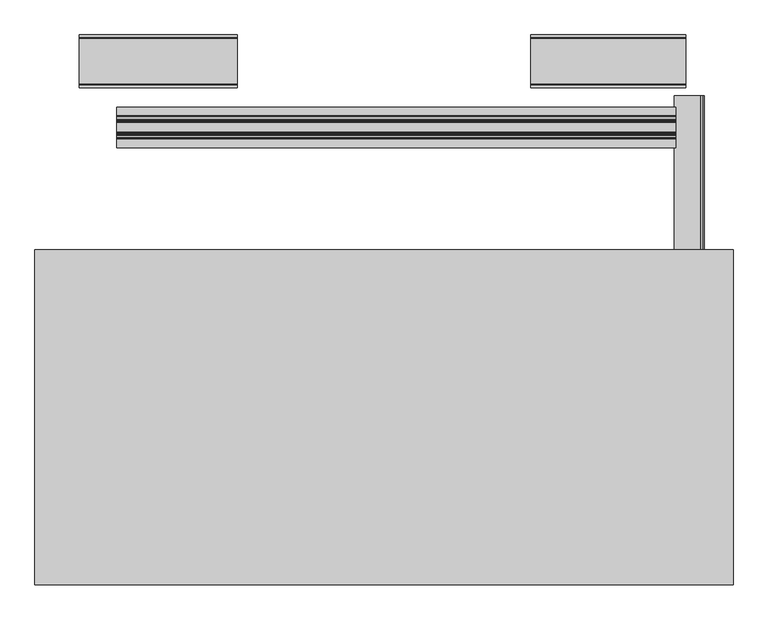
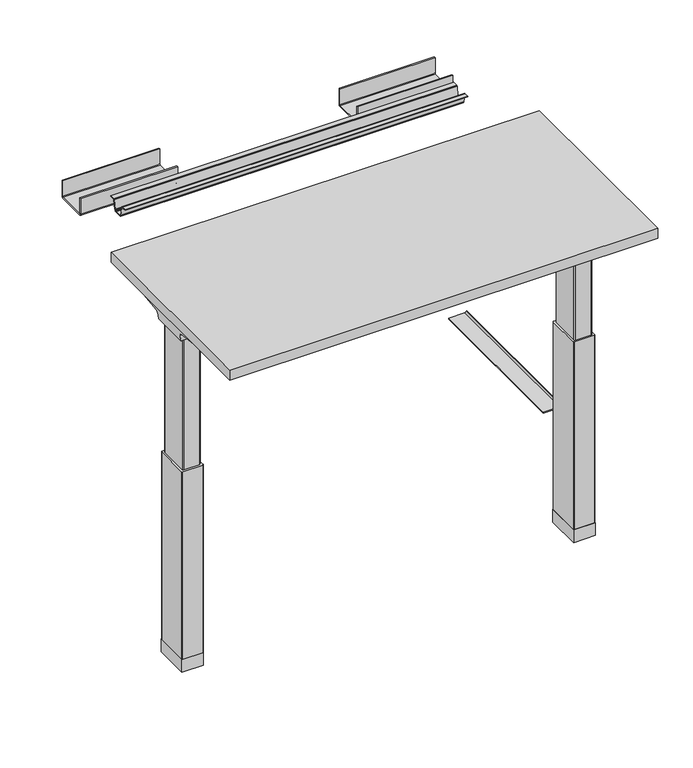
"""IFC4 building model written with IfcOpenShell, lengths in millimetres: furniture geometry."""

from ifc_helpers import new_model, si_unit, point, frame, frame_2d, origin, place, context, project, spatial, polyline, circle_curve, ellipse_curve, trimmed, segment, composite_curve, outline, extrude, source, transform, mapped, element, save
from ifc_brep_helpers import plane_surface, cylinder_surface, revolved_surface, advanced_brep


def furniture_e1e80ac1(model_context):
    return source(origin(), model_context, "Body", "SolidModel", [
        extrude(outline(composite_curve([segment(trimmed(circle_curve(frame_2d((335.5834916, 387.7019564)), 3.1749345), [point((335.5835451, 390.8768908))], [point((332.4090868, 387.643965))], True, "CARTESIAN"), True, "CONTINUOUS"), segment(polyline([(332.4090868, 387.643965), (332.4090868, 342.6824058), (329.7517063, 342.6824058), (329.7517063, 387.7017915)]), True, "CONTINUOUS"), segment(trimmed(circle_curve(frame_2d((335.5835451, 387.7017915)), 5.8318388), [point((329.7517063, 387.7017915))], [point((335.5835451, 393.5336303))], False, "CARTESIAN"), True, "CONTINUOUS"), segment(polyline([(335.5835451, 393.5336303), (335.5835451, 390.8768908)]), True, "CONTINUOUS")], self_intersect=False)), frame((0.0, 170.9160479, 0.0), z_axis=(0.0, 1.0, 0.0), x_axis=(0.0, 0.0, 1.0)), (0.0, 0.0, 1.0), 456.2850092),
        extrude(outline(polyline([(442.976, 364.3376128), (442.976, -206.4003872), (-747.776, -206.4003872), (-747.776, 364.3376128), (442.976, 364.3376128)])), frame((0.0, 0.0, 1037.209), z_axis=(0.0, 0.0, 1.0), x_axis=(1.0, 0.0, 0.0)), (0.0, 0.0, 1.0), 29.591),
        advanced_brep(
        [(-731.4406297, 162.7292702, 988.7915733), (-672.2713552, 162.7292702, 988.7915733), (-672.2713552, 160.5008169, 986.1442785), (-728.9518591, 160.5008169, 986.1442785), (-731.6625278, 162.738256, 989.0276054), (-734.0619089, 163.3822827, 1005.9443054), (-672.2713552, 163.3822827, 1005.9443054), (-734.9185362, 168.8493181, 1011.9839076), (-672.2713552, 168.8493181, 1011.9839076), (-737.4393767, 283.4205225, 1029.7569507), (-672.2713552, 283.4205225, 1029.7569507), (-737.5128152, 287.1965275, 1030.2747243), (-672.2713552, 287.1965275, 1030.2747243), (-738.1871296, 288.7067839, 1035.0289399), (-736.4021288, 286.1298888, 1037.209), (-672.2713552, 286.1298888, 1037.209), (-737.5128152, -68.7565275, 1030.2747243), (-672.2713552, -68.7565275, 1030.2747243), (-672.2713552, -67.6898888, 1037.209), (-736.4021288, -67.6898888, 1037.209), (-738.1871296, -70.2667839, 1035.0289399), (-737.4393767, -64.9805225, 1029.7569507), (-672.2713552, -64.9805225, 1029.7569507), (-734.9185362, 49.5906819, 1011.9839076), (-672.2713552, 49.5906819, 1011.9839076), (-734.0619089, 55.0577173, 1005.9443054), (-672.2713552, 55.0577173, 1005.9443054), (-731.6625278, 55.701744, 989.0276054), (-731.4406297, 55.7107298, 988.7915733), (-672.2713552, 55.7107298, 988.7915733), (-728.9518591, 57.9391831, 986.1442785), (-672.2713552, 57.9391831, 986.1442785)],
        [
            (0, 1),
            (1, 2),
            (2, 3),
            (3, 0),
            (0, 4),
            (4, 5),
            (5, 6),
            (6, 1),
            (5, 7, ellipse_curve(frame((-734.0119691, 169.8408409, 1005.5922075), z_axis=(-0.9900906714849615, 0.0, -0.1404295632637872), x_axis=(-0.1404295632637865, 0.0, 0.9900906714849615)), 6.5328852, 6.4681487)),
            (7, 8),
            (8, 6, circle_curve(frame((-672.2713552, 169.8408409, 1005.5922075), z_axis=(1.0, 0.0, 0.0), x_axis=(0.0, 1.0, 0.0)), 6.4681487)),
            (7, 9),
            (9, 10),
            (10, 8),
            (9, 11),
            (11, 12),
            (12, 10),
            (11, 13, ellipse_curve(frame((-737.9730772, 285.2194111, 1033.5197755), z_axis=(0.9900906714849615, 0.0, 0.1404295632637872), x_axis=(0.1404295632637865, 0.0, -0.9900906714849615)), 3.8379455, 3.7999141)),
            (13, 14, ellipse_curve(frame((-739.422811, 285.2194111, 1033.5197755), z_axis=(0.7737284588431889, 0.0, -0.6335173809582053), x_axis=(0.6335173809582053, 0.0, 0.7737284588431887)), 4.9111727, 3.7999141)),
            (14, 15),
            (15, 12, circle_curve(frame((-672.2713552, 285.2194111, 1033.5197755), z_axis=(-1.0, 0.0, 0.0), x_axis=(0.0, 1.0, 0.0)), 3.7999141)),
            (16, 17),
            (17, 18, circle_curve(frame((-672.2713552, -66.7794111, 1033.5197755), z_axis=(-1.0, 0.0, 0.0), x_axis=(0.0, 1.0, 0.0)), 3.7999141)),
            (18, 19),
            (19, 20, ellipse_curve(frame((-739.422811, -66.7794111, 1033.5197755), z_axis=(0.7737284588431889, 0.0, -0.6335173809582053), x_axis=(0.6335173809582053, 0.0, 0.7737284588431887)), 4.9111727, 3.7999141)),
            (20, 16, ellipse_curve(frame((-737.9730772, -66.7794111, 1033.5197755), z_axis=(0.9900906714849615, 0.0, 0.1404295632637872), x_axis=(0.1404295632637865, 0.0, -0.9900906714849615)), 3.8379455, 3.7999141)),
            (16, 21),
            (21, 22),
            (22, 17),
            (21, 23),
            (23, 24),
            (24, 22),
            (23, 25, ellipse_curve(frame((-734.0119691, 48.5991591, 1005.5922075), z_axis=(-0.9900906714849615, 0.0, -0.1404295632637872), x_axis=(-0.1404295632637865, 0.0, 0.9900906714849615)), 6.5328852, 6.4681487)),
            (25, 26),
            (26, 24, circle_curve(frame((-672.2713552, 48.5991591, 1005.5922075), z_axis=(1.0, 0.0, 0.0), x_axis=(0.0, 1.0, 0.0)), 6.4681487)),
            (25, 27),
            (27, 28),
            (28, 29),
            (29, 26),
            (28, 30),
            (30, 31),
            (31, 29),
            (4, 27),
            (20, 13),
            (19, 14),
            (18, 15),
            (2, 31),
            (30, 3),
        ],
        [
            plane_surface(frame((-754.4773962, 160.5008169, 986.1442785), z_axis=(0.0, 0.7650318638532662, -0.6439924279750482), x_axis=(1.0, 0.0, 0.0))),
            plane_surface(frame((-754.4773962, 162.7292702, 988.7915733), z_axis=(0.0, 0.999276106683639, -0.03804290487316255), x_axis=(1.0, 0.0, 0.0))),
            revolved_surface(polyline([(-734.9293793154884, 176.3089896, 1005.5922075), (-672.2713552, 176.3089896, 1005.5922075)]), (-754.4773962, 169.8408409, 1005.5922075), (-1.0, 0.0, 0.0)),
            plane_surface(frame((-754.4773962, 168.8493181, 1011.9839076), z_axis=(0.0, 0.153293135871396, -0.9881807600306302), x_axis=(1.0, 0.0, 0.0))),
            plane_surface(frame((-754.4773962, 283.4205225, 1029.7569507), z_axis=(0.0, 0.13585085469026903, -0.9907292996979162), x_axis=(1.0, 0.0, 0.0))),
            cylinder_surface(frame((-754.4773962, 285.2194111, 1033.5197755), z_axis=(1.0, 0.0, 0.0), x_axis=(0.0, 1.0, 0.0)), 3.7999141),
            cylinder_surface(frame((-754.4773962, -66.7794111, 1033.5197755), z_axis=(1.0, 0.0, 0.0), x_axis=(0.0, 1.0, 0.0)), 3.7999141),
            plane_surface(frame((-754.4773962, -68.7565275, 1030.2747243), z_axis=(0.0, -0.13585085468791205, -0.9907292996982394), x_axis=(1.0, 0.0, 0.0))),
            plane_surface(frame((-754.4773962, -64.9805225, 1029.7569507), z_axis=(0.0, -0.1532931358714066, -0.9881807600306285), x_axis=(1.0, 0.0, 0.0))),
            revolved_surface(polyline([(-734.9293793154884, 55.0673078, 1005.5922075), (-672.2713552, 55.0673078, 1005.5922075)]), (-754.4773962, 48.5991591, 1005.5922075), (-1.0, 0.0, 0.0)),
            plane_surface(frame((-754.4773962, 55.0577173, 1005.9443054), z_axis=(0.0, -0.9992761066836363, -0.03804290487323539), x_axis=(1.0, 0.0, 0.0))),
            plane_surface(frame((-754.4773962, 55.7107298, 988.7915733), z_axis=(0.0, -0.7650318638534733, -0.643992427974802), x_axis=(1.0, 0.0, 0.0))),
            plane_surface(frame((-731.6625278, 299.72, 989.0276054), z_axis=(-0.9900906714849615, 0.0, -0.1404295632637872), x_axis=(0.0, -1.0, 0.0))),
            plane_surface(frame((-738.1871296, 299.72, 1035.0289399), z_axis=(-0.7737284588431889, 0.0, 0.6335173809582053), x_axis=(0.0, -1.0, 0.0))),
            plane_surface(frame((-736.4021288, 299.72, 1037.209), z_axis=(0.0, 0.0, 1.0), x_axis=(0.0, -1.0, 0.0))),
            plane_surface(frame((-672.2713552, 299.72, 986.1442785), z_axis=(0.0, 0.0, -1.0), x_axis=(0.0, -1.0, 0.0))),
            plane_surface(frame((-728.9518591, 299.72, 986.1442785), z_axis=(-0.7285846064197553, 0.0, -0.6849558170336029), x_axis=(0.0, -1.0, 0.0))),
            plane_surface(frame((-672.2713552, 299.72, 1037.209), z_axis=(1.0, 0.0, 0.0), x_axis=(0.0, -1.0, 0.0))),
        ],
        [
            (0, [[1, 2, 3, 4]]),
            (1, [[-1, 5, 6, 7, 8]]),
            (2, [[-7, 9, 10, 11]]),
            (3, [[-10, 12, 13, 14]]),
            (4, [[-13, 15, 16, 17]]),
            (5, [[-16, 18, 19, 20, 21]]),
            (6, [[22, 23, 24, 25, 26]]),
            (7, [[-22, 27, 28, 29]]),
            (8, [[-28, 30, 31, 32]]),
            (9, [[-31, 33, 34, 35]]),
            (10, [[-34, 36, 37, 38, 39]]),
            (11, [[-38, 40, 41, 42]]),
            (12, [[43, -36, -33, -30, -27, -26, 44, -18, -15, -12, -9, -6]]),
            (13, [[-44, -25, 45, -19]]),
            (14, [[-45, -24, 46, -20]]),
            (15, [[47, -41, 48, -3]]),
            (16, [[-43, -5, -4, -48, -40, -37]]),
            (17, [[-47, -2, -8, -11, -14, -17, -21, -46, -23, -29, -32, -35, -39, -42]]),
        ],
    ),
        advanced_brep(
        [(367.4624028, 162.7292702, 988.7915733), (426.6406297, 162.7292702, 988.7915733), (424.1518591, 160.5008169, 986.1442785), (367.4624028, 160.5008169, 986.1442785), (367.4624028, 163.3822827, 1005.9443054), (429.2619089, 163.3822827, 1005.9443054), (426.8625278, 162.738256, 989.0276054), (367.4624028, 168.8493181, 1011.9839076), (430.1185362, 168.8493181, 1011.9839076), (367.4624028, 283.4205225, 1029.7569507), (432.6393767, 283.4205225, 1029.7569507), (367.4624028, 287.1965275, 1030.2747243), (432.7128152, 287.1965275, 1030.2747243), (367.4624028, 286.1298888, 1037.209), (431.6021288, 286.1298888, 1037.209), (433.3871296, 288.7067839, 1035.0289399), (367.4624028, -68.7565275, 1030.2747243), (432.7128152, -68.7565275, 1030.2747243), (433.3871296, -70.2667839, 1035.0289399), (431.6021288, -67.6898888, 1037.209), (367.4624028, -67.6898888, 1037.209), (367.4624028, -64.9805225, 1029.7569507), (432.6393767, -64.9805225, 1029.7569507), (367.4624028, 49.5906819, 1011.9839076), (430.1185362, 49.5906819, 1011.9839076), (367.4624028, 55.0577173, 1005.9443054), (429.2619089, 55.0577173, 1005.9443054), (367.4624028, 55.7107298, 988.7915733), (426.6406297, 55.7107298, 988.7915733), (426.8625278, 55.701744, 989.0276054), (367.4624028, 57.9391831, 986.1442785), (424.1518591, 57.9391831, 986.1442785)],
        [
            (0, 1),
            (1, 2),
            (2, 3),
            (3, 0),
            (0, 4),
            (4, 5),
            (5, 6),
            (6, 1),
            (4, 7, circle_curve(frame((367.4624028, 169.8408409, 1005.5922075), z_axis=(-1.0, 0.0, 0.0), x_axis=(0.0, 1.0, 0.0)), 6.4681487)),
            (7, 8),
            (8, 5, ellipse_curve(frame((429.2119691, 169.8408409, 1005.5922075), z_axis=(0.9900906714849659, 0.0, -0.1404295632637567), x_axis=(-0.1404295632637562, 0.0, -0.9900906714849659)), 6.5328852, 6.4681487)),
            (7, 9),
            (9, 10),
            (10, 8),
            (9, 11),
            (11, 12),
            (12, 10),
            (11, 13, circle_curve(frame((367.4624028, 285.2194111, 1033.5197755), z_axis=(1.0, 0.0, 0.0), x_axis=(0.0, 1.0, 0.0)), 3.7999141)),
            (13, 14),
            (14, 15, ellipse_curve(frame((434.622811, 285.2194111, 1033.5197755), z_axis=(-0.7737284588399557, 0.0, -0.633517380962154), x_axis=(0.6335173809621538, 0.0, -0.7737284588399556)), 4.9111727, 3.7999141)),
            (15, 12, ellipse_curve(frame((433.1730772, 285.2194111, 1033.5197755), z_axis=(-0.9900906714849659, 0.0, 0.1404295632637567), x_axis=(0.1404295632637562, 0.0, 0.9900906714849659)), 3.8379455, 3.7999141)),
            (16, 17),
            (17, 18, ellipse_curve(frame((433.1730772, -66.7794111, 1033.5197755), z_axis=(-0.9900906714849659, 0.0, 0.1404295632637567), x_axis=(0.1404295632637562, 0.0, 0.9900906714849659)), 3.8379455, 3.7999141)),
            (18, 19, ellipse_curve(frame((434.622811, -66.7794111, 1033.5197755), z_axis=(-0.7737284588399557, 0.0, -0.633517380962154), x_axis=(0.6335173809621538, 0.0, -0.7737284588399556)), 4.9111727, 3.7999141)),
            (19, 20),
            (20, 16, circle_curve(frame((367.4624028, -66.7794111, 1033.5197755), z_axis=(1.0, 0.0, 0.0), x_axis=(0.0, 1.0, 0.0)), 3.7999141)),
            (16, 21),
            (21, 22),
            (22, 17),
            (21, 23),
            (23, 24),
            (24, 22),
            (23, 25, circle_curve(frame((367.4624028, 48.5991591, 1005.5922075), z_axis=(-1.0, 0.0, 0.0), x_axis=(0.0, 1.0, 0.0)), 6.4681487)),
            (25, 26),
            (26, 24, ellipse_curve(frame((429.2119691, 48.5991591, 1005.5922075), z_axis=(0.9900906714849659, 0.0, -0.1404295632637567), x_axis=(-0.1404295632637562, 0.0, -0.9900906714849659)), 6.5328852, 6.4681487)),
            (25, 27),
            (27, 28),
            (28, 29),
            (29, 26),
            (27, 30),
            (30, 31),
            (31, 28),
            (29, 6),
            (15, 18),
            (14, 19),
            (13, 20),
            (30, 3),
            (2, 31),
        ],
        [
            plane_surface(frame((246.6619573, 160.5008169, 986.1442785), z_axis=(0.0, 0.7650318638532565, -0.6439924279750596), x_axis=(1.0, 0.0, 0.0))),
            plane_surface(frame((246.6619573, 162.7292702, 988.7915733), z_axis=(0.0, 0.9992761066836392, -0.03804290487315862), x_axis=(1.0, 0.0, 0.0))),
            revolved_surface(polyline([(367.4624028, 176.3089896, 1005.5922075), (430.1293793154882, 176.3089896, 1005.5922075)]), (246.6619573, 169.8408409, 1005.5922075), (-1.0, 0.0, 0.0)),
            plane_surface(frame((246.6619573, 168.8493181, 1011.9839076), z_axis=(0.0, 0.15329313587140309, -0.988180760030629), x_axis=(1.0, 0.0, 0.0))),
            plane_surface(frame((246.6619573, 283.4205225, 1029.7569507), z_axis=(0.0, 0.1358508546900816, -0.9907292996979419), x_axis=(1.0, 0.0, 0.0))),
            cylinder_surface(frame((246.6619573, 285.2194111, 1033.5197755), z_axis=(1.0, 0.0, 0.0), x_axis=(0.0, 1.0, 0.0)), 3.7999141),
            cylinder_surface(frame((246.6619573, -66.7794111, 1033.5197755), z_axis=(1.0, 0.0, 0.0), x_axis=(0.0, 1.0, 0.0)), 3.7999141),
            plane_surface(frame((246.6619573, -68.7565275, 1030.2747243), z_axis=(0.0, -0.1358508546877776, -0.9907292996982578), x_axis=(1.0, 0.0, 0.0))),
            plane_surface(frame((246.6619573, -64.9805225, 1029.7569507), z_axis=(0.0, -0.15329313587141113, -0.9881807600306277), x_axis=(1.0, 0.0, 0.0))),
            revolved_surface(polyline([(367.4624028, 55.0673078, 1005.5922075), (430.1293793154882, 55.0673078, 1005.5922075)]), (246.6619573, 48.5991591, 1005.5922075), (-1.0, 0.0, 0.0)),
            plane_surface(frame((246.6619573, 55.0577173, 1005.9443054), z_axis=(0.0, -0.9992761066836363, -0.03804290487323539), x_axis=(1.0, 0.0, 0.0))),
            plane_surface(frame((246.6619573, 55.7107298, 988.7915733), z_axis=(0.0, -0.7650318638534733, -0.643992427974802), x_axis=(1.0, 0.0, 0.0))),
            plane_surface(frame((426.8625278, -81.28, 989.0276054), z_axis=(0.9900906714849659, 0.0, -0.1404295632637567), x_axis=(0.0, 1.0, 0.0))),
            plane_surface(frame((433.3871296, -81.28, 1035.0289399), z_axis=(0.7737284588399557, 0.0, 0.633517380962154), x_axis=(0.0, 1.0, 0.0))),
            plane_surface(frame((431.6021288, -81.28, 1037.209), z_axis=(0.0, 0.0, 1.0), x_axis=(0.0, 1.0, 0.0))),
            plane_surface(frame((367.4624028, -81.28, 986.1442785), z_axis=(0.0, 0.0, -1.0), x_axis=(0.0, 1.0, 0.0))),
            plane_surface(frame((424.1518591, -81.28, 986.1442785), z_axis=(0.7285846064222696, 0.0, -0.6849558170309284), x_axis=(0.0, 1.0, 0.0))),
            plane_surface(frame((367.4624028, -81.28, 1037.209), z_axis=(-1.0, 0.0, 0.0), x_axis=(0.0, 1.0, 0.0))),
        ],
        [
            (0, [[1, 2, 3, 4]]),
            (1, [[-1, 5, 6, 7, 8]]),
            (2, [[-6, 9, 10, 11]]),
            (3, [[-10, 12, 13, 14]]),
            (4, [[-13, 15, 16, 17]]),
            (5, [[-16, 18, 19, 20, 21]]),
            (6, [[22, 23, 24, 25, 26]]),
            (7, [[-22, 27, 28, 29]]),
            (8, [[-28, 30, 31, 32]]),
            (9, [[-31, 33, 34, 35]]),
            (10, [[-34, 36, 37, 38, 39]]),
            (11, [[-37, 40, 41, 42]]),
            (12, [[43, -7, -11, -14, -17, -21, 44, -23, -29, -32, -35, -39]]),
            (13, [[-44, -20, 45, -24]]),
            (14, [[-45, -19, 46, -25]]),
            (15, [[47, -3, 48, -41]]),
            (16, [[-43, -38, -42, -48, -2, -8]]),
            (17, [[-47, -40, -36, -33, -30, -27, -26, -46, -18, -15, -12, -9, -5, -4]]),
        ],
    ),
        advanced_brep(
        [(370.2283088, 153.9682497, 986.1442785), (367.4624028, 151.6150111, 986.1442785), (367.4624028, 66.8413858, 986.1442785), (370.5159671, 64.491987, 986.1442785), (413.8299922, 64.4717503, 986.1442785), (416.8895972, 66.8414936, 986.1442785), (416.8895972, 151.6150956, 986.1442785), (414.1236912, 153.9682497, 986.1442785), (370.2283088, 153.9682497, 599.0990058), (414.1236912, 153.9682497, 599.0990058), (416.8895972, 151.6150956, 599.0990058), (416.8895972, 66.8414936, 599.0990058), (413.8360098, 64.4919923, 599.0990058), (370.5220078, 64.4717503, 599.0990058), (367.4624028, 66.8413858, 599.0990058), (367.4624028, 151.6150111, 599.0990058)],
        [
            (0, 1, circle_curve(frame((370.5300788, 150.8114719, 986.1442785), z_axis=(0.0, 0.0, 1.0), x_axis=(1.0, 0.0, 0.0)), 3.1711688)),
            (1, 2),
            (2, 3, circle_curve(frame((370.5159671, 67.651078, 986.1442785), z_axis=(0.0, 0.0, 1.0), x_axis=(1.0, 0.0, 0.0)), 3.1590911)),
            (3, 4),
            (4, 5, circle_curve(frame((413.8360098, 67.651078, 986.1442785), z_axis=(0.0, 0.0, 1.0), x_axis=(1.0, 0.0, 0.0)), 3.1590858)),
            (5, 6),
            (6, 7, circle_curve(frame((413.8219439, 150.8114698, 986.1442785), z_axis=(0.0, 0.0, 1.0), x_axis=(1.0, 0.0, 0.0)), 3.1711687)),
            (7, 0),
            (8, 9),
            (9, 10, circle_curve(frame((413.8219439, 150.8114698, 599.0990058), z_axis=(0.0, 0.0, -1.0), x_axis=(1.0, 0.0, 0.0)), 3.1711687)),
            (10, 11),
            (11, 12, circle_curve(frame((413.8360098, 67.651078, 599.0990058), z_axis=(0.0, 0.0, -1.0), x_axis=(1.0, 0.0, 0.0)), 3.1590858)),
            (12, 13),
            (13, 14, circle_curve(frame((370.5159671, 67.651078, 599.0990058), z_axis=(0.0, 0.0, -1.0), x_axis=(1.0, 0.0, 0.0)), 3.1590911)),
            (14, 15),
            (15, 8, circle_curve(frame((370.5300788, 150.8114719, 599.0990058), z_axis=(0.0, 0.0, -1.0), x_axis=(1.0, 0.0, 0.0)), 3.1711688)),
            (7, 9),
            (8, 0),
            (6, 10),
            (5, 11),
            (4, 12),
            (3, 13),
            (2, 14),
            (1, 15),
        ],
        [
            plane_surface(frame((373.7012476, 150.8114719, 986.1442785), z_axis=(0.0, 0.0, 1.0), x_axis=(0.0, 1.0, 0.0))),
            plane_surface(frame((373.7012476, 150.8114719, 599.0990058), z_axis=(0.0, 0.0, -1.0), x_axis=(0.0, -1.0, 0.0))),
            plane_surface(frame((414.1236912, 153.9682497, 986.1442785), z_axis=(-1.7168271511752058e-12, 1.0, 0.0), x_axis=(0.0, 0.0, -1.0))),
            cylinder_surface(frame((413.8219439, 150.8114698, 599.0990058), z_axis=(0.0, 0.0, 1.0), x_axis=(1.0, 0.0, 0.0)), 3.1711687),
            plane_surface(frame((416.8895972, 66.8414936, 986.1442785), z_axis=(1.0, 0.0, 0.0), x_axis=(0.0, 0.0, -1.0))),
            cylinder_surface(frame((413.8360098, 67.651078, 599.0990058), z_axis=(0.0, 0.0, 1.0), x_axis=(1.0, 0.0, 0.0)), 3.1590858),
            plane_surface(frame((370.5220078, 64.4717503, 986.1442785), z_axis=(0.0, -1.0, 0.0), x_axis=(0.0, 0.0, -1.0))),
            cylinder_surface(frame((370.5159671, 67.651078, 599.0990058), z_axis=(0.0, 0.0, 1.0), x_axis=(1.0, 0.0, 0.0)), 3.1590911),
            plane_surface(frame((367.4624028, 151.6150111, 986.1442785), z_axis=(-1.0, 0.0, 0.0), x_axis=(0.0, 0.0, -1.0))),
            cylinder_surface(frame((370.5300788, 150.8114719, 599.0990058), z_axis=(0.0, 0.0, 1.0), x_axis=(1.0, 0.0, 0.0)), 3.1711688),
        ],
        [
            (0, [[1, 2, 3, 4, 5, 6, 7, 8]]),
            (1, [[9, 10, 11, 12, 13, 14, 15, 16]]),
            (2, [[-8, 17, -9, 18]]),
            (3, [[-7, 19, -10, -17]]),
            (4, [[-6, 20, -11, -19]]),
            (5, [[-5, 21, -12, -20]]),
            (6, [[-4, 22, -13, -21]]),
            (7, [[-3, 23, -14, -22]]),
            (8, [[-2, 24, -15, -23]]),
            (9, [[-1, -18, -16, -24]]),
        ],
    ),
        advanced_brep(
        [(-675.0283088, 153.9682497, 986.1442785), (-718.9236912, 153.9682497, 986.1442785), (-721.6806448, 151.6485241, 986.1442785), (-721.6806448, 66.8084508, 986.1442785), (-718.6360098, 64.4919923, 986.1442785), (-675.3220078, 64.4717503, 986.1442785), (-672.2713552, 66.8083475, 986.1442785), (-672.2713552, 151.6484433, 986.1442785), (-675.0283088, 153.9682497, 599.0990058), (-672.2713552, 151.6484433, 599.0990058), (-672.2713552, 66.8083475, 599.0990058), (-675.3159671, 64.491987, 599.0990058), (-718.6299922, 64.4717503, 599.0990058), (-721.6806448, 66.8084508, 599.0990058), (-721.6806448, 151.6485241, 599.0990058), (-718.9236912, 153.9682497, 599.0990058)],
        [
            (0, 1),
            (1, 2, circle_curve(frame((-718.6219439, 150.8114698, 986.1442785), z_axis=(0.0, 0.0, 1.0), x_axis=(-1.0, 0.0, 0.0)), 3.1711687)),
            (2, 3),
            (3, 4, circle_curve(frame((-718.6360098, 67.651078, 986.1442785), z_axis=(0.0, 0.0, 1.0), x_axis=(-1.0, 0.0, 0.0)), 3.1590858)),
            (4, 5),
            (5, 6, circle_curve(frame((-675.3159671, 67.6510781, 986.1442785), z_axis=(0.0, 0.0, 1.0), x_axis=(-1.0, 0.0, 0.0)), 3.1590911)),
            (6, 7),
            (7, 0, circle_curve(frame((-675.3300788, 150.8114719, 986.1442785), z_axis=(0.0, 0.0, 1.0), x_axis=(-1.0, 0.0, 0.0)), 3.1711688)),
            (8, 9, circle_curve(frame((-675.3300788, 150.8114719, 599.0990058), z_axis=(0.0, 0.0, -1.0), x_axis=(-1.0, 0.0, 0.0)), 3.1711688)),
            (9, 10),
            (10, 11, circle_curve(frame((-675.3159671, 67.6510781, 599.0990058), z_axis=(0.0, 0.0, -1.0), x_axis=(-1.0, 0.0, 0.0)), 3.1590911)),
            (11, 12),
            (12, 13, circle_curve(frame((-718.6360098, 67.651078, 599.0990058), z_axis=(0.0, 0.0, -1.0), x_axis=(-1.0, 0.0, 0.0)), 3.1590858)),
            (13, 14),
            (14, 15, circle_curve(frame((-718.6219439, 150.8114698, 599.0990058), z_axis=(0.0, 0.0, -1.0), x_axis=(-1.0, 0.0, 0.0)), 3.1711687)),
            (15, 8),
            (0, 8),
            (15, 1),
            (14, 2),
            (13, 3),
            (12, 4),
            (11, 5),
            (10, 6),
            (9, 7),
        ],
        [
            plane_surface(frame((-718.9236912, 153.9682497, 986.1442785), z_axis=(0.0, 0.0, 1.0), x_axis=(-1.0, 0.0, 0.0))),
            plane_surface(frame((-718.9236912, 153.9682497, 599.0990058), z_axis=(0.0, 0.0, -1.0), x_axis=(1.0, 0.0, 0.0))),
            plane_surface(frame((-675.0283088, 153.9682497, 986.1442785), z_axis=(0.0, 1.0, 0.0), x_axis=(0.0, 0.0, -1.0))),
            cylinder_surface(frame((-718.6219439, 150.8114698, 599.0990058), z_axis=(0.0, 0.0, 1.0), x_axis=(-1.0, 0.0, 0.0)), 3.1711687),
            plane_surface(frame((-721.6806448, 151.6485241, 986.1442785), z_axis=(-1.0, 0.0, 0.0), x_axis=(0.0, 0.0, -1.0))),
            cylinder_surface(frame((-718.6360098, 67.651078, 599.0990058), z_axis=(0.0, 0.0, 1.0), x_axis=(-1.0, 0.0, 0.0)), 3.1590858),
            plane_surface(frame((-718.6299922, 64.4717503, 986.1442785), z_axis=(0.0, -1.0, 0.0), x_axis=(0.0, 0.0, -1.0))),
            cylinder_surface(frame((-675.3159671, 67.6510781, 599.0990058), z_axis=(0.0, 0.0, 1.0), x_axis=(-1.0, 0.0, 0.0)), 3.1590911),
            plane_surface(frame((-672.2713552, 66.8083475, 986.1442785), z_axis=(1.0, 0.0, 0.0), x_axis=(0.0, 0.0, -1.0))),
            cylinder_surface(frame((-675.3300788, 150.8114719, 599.0990058), z_axis=(0.0, 0.0, 1.0), x_axis=(-1.0, 0.0, 0.0)), 3.1711688),
        ],
        [
            (0, [[1, 2, 3, 4, 5, 6, 7, 8]]),
            (1, [[9, 10, 11, 12, 13, 14, 15, 16]]),
            (2, [[-1, 17, -16, 18]]),
            (3, [[-2, -18, -15, 19]]),
            (4, [[-3, -19, -14, 20]]),
            (5, [[-4, -20, -13, 21]]),
            (6, [[-5, -21, -12, 22]]),
            (7, [[-6, -22, -11, 23]]),
            (8, [[-7, -23, -10, 24]]),
            (9, [[-8, -24, -9, -17]]),
        ],
    ),
        extrude(outline(composite_curve([segment(trimmed(circle_curve(frame_2d((-669.316092, 156.945908)), 2.248592), [point((-669.316092, 159.1945))], [point((-667.0675, 156.945908))], False, "CARTESIAN"), True, "CONTINUOUS"), segment(polyline([(-667.0675, 156.945908), (-667.0675, 61.4941469)]), True, "CONTINUOUS"), segment(trimmed(circle_curve(frame_2d((-669.3161469, 61.4941469)), 2.2486469), [point((-667.0675, 61.4941469))], [point((-669.3161469, 59.2455))], False, "CARTESIAN"), True, "CONTINUOUS"), segment(polyline([(-669.3161469, 59.2455), (-724.635908, 59.2455)]), True, "CONTINUOUS"), segment(trimmed(circle_curve(frame_2d((-724.635908, 61.494092)), 2.248592), [point((-724.635908, 59.2455))], [point((-726.8845, 61.494092))], False, "CARTESIAN"), True, "CONTINUOUS"), segment(polyline([(-726.8845, 61.494092), (-726.8845, 156.945908)]), True, "CONTINUOUS"), segment(trimmed(circle_curve(frame_2d((-724.635908, 156.945908)), 2.248592), [point((-726.8845, 156.945908))], [point((-724.635908, 159.1945))], False, "CARTESIAN"), True, "CONTINUOUS"), segment(polyline([(-724.635908, 159.1945), (-669.316092, 159.1945)]), True, "CONTINUOUS")], self_intersect=False)), frame((0.0, 0.0, 48.1000573), z_axis=(0.0, 0.0, 1.0), x_axis=(1.0, 0.0, 0.0)), (0.0, 0.0, 1.0), 550.9989485),
        extrude(outline(composite_curve([segment(trimmed(circle_curve(frame_2d((419.7521079, 156.8621079)), 2.3323921), [point((419.7521079, 159.1945))], [point((422.0845, 156.8621079))], False, "CARTESIAN"), True, "CONTINUOUS"), segment(polyline([(422.0845, 156.8621079), (422.0845, 61.5778921)]), True, "CONTINUOUS"), segment(trimmed(circle_curve(frame_2d((419.7521079, 61.5778921)), 2.3323921), [point((422.0845, 61.5778921))], [point((419.7521079, 59.2455))], False, "CARTESIAN"), True, "CONTINUOUS"), segment(polyline([(419.7521079, 59.2455), (364.5998921, 59.2455)]), True, "CONTINUOUS"), segment(trimmed(circle_curve(frame_2d((364.5998921, 61.5778921)), 2.3323921), [point((364.5998921, 59.2455))], [point((362.2675, 61.5778921))], False, "CARTESIAN"), True, "CONTINUOUS"), segment(polyline([(362.2675, 61.5778921), (362.2675, 156.8621079)]), True, "CONTINUOUS"), segment(trimmed(circle_curve(frame_2d((364.5998921, 156.8621079)), 2.3323921), [point((362.2675, 156.8621079))], [point((364.5998921, 159.1945))], False, "CARTESIAN"), True, "CONTINUOUS"), segment(polyline([(364.5998921, 159.1945), (419.7521079, 159.1945)]), True, "CONTINUOUS")], self_intersect=False)), frame((0.0, 0.0, 48.1000573), z_axis=(0.0, 0.0, 1.0), x_axis=(1.0, 0.0, 0.0)), (0.0, 0.0, 1.0), 550.9989485),
        extrude(outline(composite_curve([segment(polyline([(149.4799723, 984.9075396), (149.4799723, 1030.4529696), (153.6599861, 1030.4529696), (153.6599861, 984.4981642)]), True, "CONTINUOUS"), segment(trimmed(circle_curve(frame_2d((148.4147916, 984.4981642)), 5.2451944), [point((153.6599861, 984.4981642))], [point((148.4147916, 979.2529697))], False, "CARTESIAN"), True, "CONTINUOUS"), segment(polyline([(148.4147916, 979.2529697), (69.5236332, 979.2529697)]), True, "CONTINUOUS"), segment(trimmed(circle_curve(frame_2d((69.5236332, 985.1166103)), 5.8636406), [point((69.5236332, 979.2529697))], [point((63.6599926, 985.1166103))], False, "CARTESIAN"), True, "CONTINUOUS"), segment(polyline([(63.6599926, 985.1166103), (63.6599926, 1030.4529696), (67.8399701, 1030.4529696), (67.8399701, 985.41679)]), True, "CONTINUOUS"), segment(trimmed(circle_curve(frame_2d((69.8238129, 985.41679)), 1.9838428), [point((67.8399701, 985.41679))], [point((69.8238129, 983.4329472))], True, "CARTESIAN"), True, "CONTINUOUS"), segment(polyline([(69.8238129, 983.4329472), (148.0053799, 983.4329472)]), True, "CONTINUOUS"), segment(trimmed(circle_curve(frame_2d((148.0053799, 984.9075396)), 1.4745924), [point((148.0053799, 983.4329472))], [point((149.4799723, 984.9075396))], True, "CARTESIAN"), True, "CONTINUOUS")], self_intersect=False)), frame((97.9842929, 0.0, 0.0), z_axis=(1.0, 0.0, 0.0), x_axis=(0.0, 1.0, 0.0)), (0.0, 0.0, 1.0), 269.4870623),
        extrude(outline(composite_curve([segment(polyline([(149.2815348, 984.9075396), (149.2815348, 1030.4529696), (153.4615486, 1030.4529696), (153.4615486, 984.4981642)]), True, "CONTINUOUS"), segment(trimmed(circle_curve(frame_2d((148.2163541, 984.4981642)), 5.2451944), [point((153.4615486, 984.4981642))], [point((148.2163541, 979.2529697))], False, "CARTESIAN"), True, "CONTINUOUS"), segment(polyline([(148.2163541, 979.2529697), (69.3251957, 979.2529697)]), True, "CONTINUOUS"), segment(trimmed(circle_curve(frame_2d((69.3251957, 985.1166103)), 5.8636406), [point((69.3251957, 979.2529697))], [point((63.4615551, 985.1166103))], False, "CARTESIAN"), True, "CONTINUOUS"), segment(polyline([(63.4615551, 985.1166103), (63.4615551, 1030.4529696), (67.6415326, 1030.4529696), (67.6415326, 985.41679)]), True, "CONTINUOUS"), segment(trimmed(circle_curve(frame_2d((69.6253754, 985.41679)), 1.9838428), [point((67.6415326, 985.41679))], [point((69.6253754, 983.4329472))], True, "CARTESIAN"), True, "CONTINUOUS"), segment(polyline([(69.6253754, 983.4329472), (147.8069424, 983.4329472)]), True, "CONTINUOUS"), segment(trimmed(circle_curve(frame_2d((147.8069424, 984.9075396)), 1.4745924), [point((147.8069424, 983.4329472))], [point((149.2815348, 984.9075396))], True, "CARTESIAN"), True, "CONTINUOUS")], self_intersect=False)), frame((-672.2624028, 0.0, 0.0), z_axis=(1.0, 0.0, 0.0), x_axis=(0.0, 1.0, 0.0)), (0.0, 0.0, 1.0), 269.4781099),
        extrude(outline(composite_curve([segment(trimmed(circle_curve(frame_2d((646.6971201, 984.9075396)), 1.4745924), [point((645.2225277, 984.9075396))], [point((646.6971201, 983.4329472))], True, "CARTESIAN"), True, "CONTINUOUS"), segment(polyline([(646.6971201, 983.4329472), (724.8786871, 983.4329472)]), True, "CONTINUOUS"), segment(trimmed(circle_curve(frame_2d((724.8786871, 985.41679)), 1.9838428), [point((724.8786871, 983.4329472))], [point((726.8625299, 985.41679))], True, "CARTESIAN"), True, "CONTINUOUS"), segment(polyline([(726.8625299, 985.41679), (726.8625299, 1030.4529696), (731.0425074, 1030.4529696), (731.0425074, 985.1166103)]), True, "CONTINUOUS"), segment(trimmed(circle_curve(frame_2d((725.1788668, 985.1166103)), 5.8636406), [point((731.0425074, 985.1166103))], [point((725.1788668, 979.2529697))], False, "CARTESIAN"), True, "CONTINUOUS"), segment(polyline([(725.1788668, 979.2529697), (646.2877084, 979.2529697)]), True, "CONTINUOUS"), segment(trimmed(circle_curve(frame_2d((646.2877084, 984.4981642)), 5.2451944), [point((646.2877084, 979.2529697))], [point((641.0425139, 984.4981642))], False, "CARTESIAN"), True, "CONTINUOUS"), segment(polyline([(641.0425139, 984.4981642), (641.0425139, 1030.4529696), (645.2225277, 1030.4529696), (645.2225277, 984.9075396)]), True, "CONTINUOUS")], self_intersect=False)), frame((97.9842929, 0.0, 0.0), z_axis=(1.0, 0.0, 0.0), x_axis=(0.0, 1.0, 0.0)), (0.0, 0.0, 1.0), 264.2832071),
        extrude(outline(composite_curve([segment(trimmed(circle_curve(frame_2d((646.6971201, 984.9075396)), 1.4745924), [point((645.2225277, 984.9075396))], [point((646.6971201, 983.4329472))], True, "CARTESIAN"), True, "CONTINUOUS"), segment(polyline([(646.6971201, 983.4329472), (724.8786871, 983.4329472)]), True, "CONTINUOUS"), segment(trimmed(circle_curve(frame_2d((724.8786871, 985.41679)), 1.9838428), [point((724.8786871, 983.4329472))], [point((726.8625299, 985.41679))], True, "CARTESIAN"), True, "CONTINUOUS"), segment(polyline([(726.8625299, 985.41679), (726.8625299, 1030.4529696), (731.0425074, 1030.4529696), (731.0425074, 985.1166103)]), True, "CONTINUOUS"), segment(trimmed(circle_curve(frame_2d((725.1788668, 985.1166103)), 5.8636406), [point((731.0425074, 985.1166103))], [point((725.1788668, 979.2529697))], False, "CARTESIAN"), True, "CONTINUOUS"), segment(polyline([(725.1788668, 979.2529697), (646.2877084, 979.2529697)]), True, "CONTINUOUS"), segment(trimmed(circle_curve(frame_2d((646.2877084, 984.4981642)), 5.2451944), [point((646.2877084, 979.2529697))], [point((641.0425139, 984.4981642))], False, "CARTESIAN"), True, "CONTINUOUS"), segment(polyline([(641.0425139, 984.4981642), (641.0425139, 1030.4529696), (645.2225277, 1030.4529696), (645.2225277, 984.9075396)]), True, "CONTINUOUS")], self_intersect=False)), frame((-672.2624028, 0.0, 0.0), z_axis=(1.0, 0.0, 0.0), x_axis=(0.0, 1.0, 0.0)), (0.0, 0.0, 1.0), 269.4781099),
        extrude(outline(polyline([(587.7828122, 1009.1179831), (587.0299512, 1007.0433277), (585.6124505, 1005.3516432), (583.701557, 1004.2473501), (581.5281068, 1003.863798), (564.7567104, 1003.863798), (562.5832239, 1004.2473501), (560.6723304, 1005.3516432), (559.2548297, 1007.0433277), (558.5019687, 1009.1179831), (554.0439922, 1034.5630142), (553.6099344, 1035.3162386), (552.7930512, 1035.6138222), (545.3294079, 1035.6138222), (538.9793958, 1035.6138222), (538.9793958, 1036.8279196), (552.7930512, 1036.8279196), (554.3908461, 1036.2459057), (555.2399222, 1034.7725218), (559.6978623, 1009.3274906), (560.3068004, 1007.6495407), (561.4532784, 1006.2813103), (562.9988236, 1005.3881235), (564.7567104, 1005.077968), (581.5281068, 1005.077968), (583.2859937, 1005.3881235), (584.8315389, 1006.2813103), (585.9780169, 1007.6495407), (586.5869187, 1009.3274906), (591.0448951, 1034.7725218), (591.8939348, 1036.2459057), (593.4917298, 1036.8279196), (607.3053851, 1036.8279196), (607.3053851, 1035.6138222), (605.4455423, 1035.6138222), (600.9554094, 1035.6138222), (593.4917298, 1035.6138222), (592.6748828, 1035.3162386), (592.2407887, 1034.5630142), (587.7828122, 1009.1179831)])), frame((-608.106967, 0.0, 0.0), z_axis=(1.0, 0.0, 0.0), x_axis=(0.0, 1.0, 0.0)), (0.0, 0.0, 1.0), 953.0206908),
        extrude(outline(polyline([(-17.8501504, 1009.1179831), (-22.3081268, 1034.5630142), (-22.7422209, 1035.3162386), (-23.5590679, 1035.6138222), (-31.0227475, 1035.6138222), (-35.5128804, 1035.6138222), (-37.3727233, 1035.6138222), (-37.3727233, 1036.8279196), (-23.5590679, 1036.8279196), (-21.961273, 1036.2459057), (-21.1122332, 1034.7725218), (-16.6542568, 1009.3274906), (-16.045355, 1007.6495407), (-14.898877, 1006.2813103), (-13.3533318, 1005.3881235), (-11.5954449, 1005.077968), (5.1759514, 1005.077968), (6.9338383, 1005.3881235), (8.4793835, 1006.2813103), (9.6258615, 1007.6495407), (10.2347996, 1009.3274906), (14.6927397, 1034.7725218), (15.5418158, 1036.2459057), (17.1396107, 1036.8279196), (30.9532661, 1036.8279196), (30.9532661, 1035.6138222), (24.603254, 1035.6138222), (17.1396107, 1035.6138222), (16.3227274, 1035.3162386), (15.8886696, 1034.5630142), (11.4306932, 1009.1179831), (10.6778322, 1007.0433277), (9.2603315, 1005.3516432), (7.3494379, 1004.2473501), (5.1759514, 1003.863798), (-11.5954449, 1003.863798), (-13.7688951, 1004.2473501), (-15.6797886, 1005.3516432), (-17.0972893, 1007.0433277), (-17.8501504, 1009.1179831)])), frame((-649.7066, 0.0, 0.0), z_axis=(1.0, 0.0, 0.0), x_axis=(0.0, 1.0, 0.0)), (0.0, 0.0, 1.0), 994.6203238),
        advanced_brep(
        [(392.176, 127.2221653, 10.2361894), (392.176, 141.2419153, 10.2361894), (392.176, 140.8547401, 8.7946116), (392.176, 127.6093405, 8.7946116), (392.176, 134.2320403, 10.2361894), (392.176, 113.2751519, 0.0), (392.176, 155.1889286, 0.0), (392.176, 134.2320403, 0.0), (392.176, 111.7314216, 1.5436985), (392.176, 156.732659, 1.5436985), (392.176, 111.7314763, 4.1072626), (392.176, 156.7326043, 4.1072626), (392.176, 113.2713167, 5.9174378), (392.176, 155.1927639, 5.9174378)],
        [
            (0, 1, circle_curve(frame((392.176, 134.2320403, 10.2361894), z_axis=(0.0, 0.0, -1.0), x_axis=(0.0, 1.0, 0.0)), 7.009875)),
            (1, 2),
            (2, 3, circle_curve(frame((392.176, 134.2320403, 8.7946116), z_axis=(0.0, 0.0, 1.0), x_axis=(0.0, 1.0, 0.0)), 6.6226998)),
            (3, 0),
            (1, 0, circle_curve(frame((392.176, 134.2320403, 10.2361894), z_axis=(0.0, 0.0, -1.0), x_axis=(0.0, 1.0, 0.0)), 7.009875)),
            (3, 2, circle_curve(frame((392.176, 134.2320403, 8.7946116), z_axis=(0.0, 0.0, 1.0), x_axis=(0.0, 1.0, 0.0)), 6.6226998)),
            (4, 1),
            (0, 4),
            (5, 6, circle_curve(frame((392.176, 134.2320403, 0.0), z_axis=(0.0, 0.0, -1.0), x_axis=(0.0, 1.0, 0.0)), 20.9568884)),
            (6, 7),
            (7, 5),
            (6, 5, circle_curve(frame((392.176, 134.2320403, 0.0), z_axis=(0.0, 0.0, -1.0), x_axis=(0.0, 1.0, 0.0)), 20.9568884)),
            (8, 9, circle_curve(frame((392.176, 134.2320403, 1.5436985), z_axis=(0.0, 0.0, -1.0), x_axis=(0.0, 1.0, 0.0)), 22.5006187)),
            (9, 6),
            (5, 8),
            (9, 8, circle_curve(frame((392.176, 134.2320403, 1.5436985), z_axis=(0.0, 0.0, -1.0), x_axis=(0.0, 1.0, 0.0)), 22.5006187)),
            (10, 11, circle_curve(frame((392.176, 134.2320403, 4.1072626), z_axis=(0.0, 0.0, -1.0), x_axis=(0.0, 1.0, 0.0)), 22.500564)),
            (11, 9),
            (8, 10),
            (11, 10, circle_curve(frame((392.176, 134.2320403, 4.1072626), z_axis=(0.0, 0.0, -1.0), x_axis=(0.0, 1.0, 0.0)), 22.500564)),
            (12, 13, circle_curve(frame((392.176, 134.2320403, 5.9174378), z_axis=(0.0, 0.0, -1.0), x_axis=(0.0, 1.0, 0.0)), 20.9607236)),
            (13, 11),
            (10, 12),
            (13, 12, circle_curve(frame((392.176, 134.2320403, 5.9174378), z_axis=(0.0, 0.0, -1.0), x_axis=(0.0, 1.0, 0.0)), 20.9607236)),
            (2, 13),
            (12, 3),
        ],
        [
            revolved_surface(polyline([(392.176, 140.8547401, 8.7946116), (392.176, 141.2419153, 10.2361894)]), (392.176, 134.2320403, 0.0), (0.0, 0.0, 1.0)),
            plane_surface(frame((392.176, 134.2320403, 10.2361894), z_axis=(0.0, 0.0, 1.0), x_axis=(0.0, 1.0, 0.0))),
            plane_surface(frame((392.176, 134.2320403, 0.0), z_axis=(0.0, 0.0, -1.0), x_axis=(0.0, 1.0, 0.0))),
            revolved_surface(polyline([(392.176, 155.1889286, 0.0), (392.176, 156.732659, 1.5436985)]), (392.176, 134.2320403, 0.0), (0.0, 0.0, 1.0)),
            cylinder_surface(frame((392.176, 134.2320403, 0.0), z_axis=(0.0, 0.0, 1.0), x_axis=(0.0, 1.0, 0.0)), 22.500564),
            revolved_surface(polyline([(392.176, 156.7327498, 4.1072626), (392.176, 155.1927639, 5.9174378)]), (392.176, 134.2320403, 0.0), (0.0, 0.0, 1.0)),
            revolved_surface(polyline([(392.176, 155.1927639, 5.9174378), (392.176, 140.8547401, 8.7946116)]), (392.176, 134.2320403, 0.0), (0.0, 0.0, 1.0)),
        ],
        [
            (0, [[1, 2, 3, 4]]),
            (0, [[5, -4, 6, -2]]),
            (1, [[7, -1, 8]]),
            (1, [[-8, -5, -7]]),
            (2, [[9, 10, 11]]),
            (2, [[12, -11, -10]]),
            (3, [[13, 14, -9, 15]]),
            (3, [[16, -15, -12, -14]]),
            (4, [[17, 18, -13, 19]]),
            (4, [[20, -19, -16, -18]]),
            (5, [[21, 22, -17, 23]]),
            (5, [[24, -23, -20, -22]]),
            (6, [[-3, 25, -21, 26]]),
            (6, [[-6, -26, -24, -25]]),
        ],
    ),
        extrude(outline(polyline([(362.2675, 59.6052169), (362.2675, 158.9882127), (422.0845, 158.9882127), (422.0845, 59.6052169), (362.2675, 59.6052169)])), frame((0.0, 0.0, 10.2361894), z_axis=(0.0, 0.0, 1.0), x_axis=(1.0, 0.0, 0.0)), (0.0, 0.0, 1.0), 37.8638679),
        advanced_brep(
        [(-696.976, 127.2221653, 10.2361894), (-696.976, 141.2419153, 10.2361894), (-696.976, 140.8547401, 8.7946116), (-696.976, 127.6093405, 8.7946116), (-696.976, 134.2320403, 10.2361894), (-696.976, 113.2751519, 0.0), (-696.976, 155.1889286, 0.0), (-696.976, 134.2320403, 0.0), (-696.976, 111.7314216, 1.5436985), (-696.976, 156.732659, 1.5436985), (-696.976, 111.7314763, 4.1072626), (-696.976, 156.7326043, 4.1072626), (-696.976, 113.2713167, 5.9174378), (-696.976, 155.1927639, 5.9174378)],
        [
            (0, 1, circle_curve(frame((-696.976, 134.2320403, 10.2361894), z_axis=(0.0, 0.0, -1.0), x_axis=(0.0, 1.0, 0.0)), 7.009875)),
            (1, 2),
            (2, 3, circle_curve(frame((-696.976, 134.2320403, 8.7946116), z_axis=(0.0, 0.0, 1.0), x_axis=(0.0, 1.0, 0.0)), 6.6226998)),
            (3, 0),
            (1, 0, circle_curve(frame((-696.976, 134.2320403, 10.2361894), z_axis=(0.0, 0.0, -1.0), x_axis=(0.0, 1.0, 0.0)), 7.009875)),
            (3, 2, circle_curve(frame((-696.976, 134.2320403, 8.7946116), z_axis=(0.0, 0.0, 1.0), x_axis=(0.0, 1.0, 0.0)), 6.6226998)),
            (4, 1),
            (0, 4),
            (5, 6, circle_curve(frame((-696.976, 134.2320403, 0.0), z_axis=(0.0, 0.0, -1.0), x_axis=(0.0, 1.0, 0.0)), 20.9568884)),
            (6, 7),
            (7, 5),
            (6, 5, circle_curve(frame((-696.976, 134.2320403, 0.0), z_axis=(0.0, 0.0, -1.0), x_axis=(0.0, 1.0, 0.0)), 20.9568884)),
            (8, 9, circle_curve(frame((-696.976, 134.2320403, 1.5436985), z_axis=(0.0, 0.0, -1.0), x_axis=(0.0, 1.0, 0.0)), 22.5006187)),
            (9, 6),
            (5, 8),
            (9, 8, circle_curve(frame((-696.976, 134.2320403, 1.5436985), z_axis=(0.0, 0.0, -1.0), x_axis=(0.0, 1.0, 0.0)), 22.5006187)),
            (10, 11, circle_curve(frame((-696.976, 134.2320403, 4.1072626), z_axis=(0.0, 0.0, -1.0), x_axis=(0.0, 1.0, 0.0)), 22.500564)),
            (11, 9),
            (8, 10),
            (11, 10, circle_curve(frame((-696.976, 134.2320403, 4.1072626), z_axis=(0.0, 0.0, -1.0), x_axis=(0.0, 1.0, 0.0)), 22.500564)),
            (12, 13, circle_curve(frame((-696.976, 134.2320403, 5.9174378), z_axis=(0.0, 0.0, -1.0), x_axis=(0.0, 1.0, 0.0)), 20.9607236)),
            (13, 11),
            (10, 12),
            (13, 12, circle_curve(frame((-696.976, 134.2320403, 5.9174378), z_axis=(0.0, 0.0, -1.0), x_axis=(0.0, 1.0, 0.0)), 20.9607236)),
            (2, 13),
            (12, 3),
        ],
        [
            revolved_surface(polyline([(-696.976, 140.8547401, 8.7946116), (-696.976, 141.2419153, 10.2361894)]), (-696.976, 134.2320403, 0.0), (0.0, 0.0, 1.0)),
            plane_surface(frame((-696.976, 134.2320403, 10.2361894), z_axis=(0.0, 0.0, 1.0), x_axis=(0.0, 1.0, 0.0))),
            plane_surface(frame((-696.976, 134.2320403, 0.0), z_axis=(0.0, 0.0, -1.0), x_axis=(0.0, 1.0, 0.0))),
            revolved_surface(polyline([(-696.976, 155.1889286, 0.0), (-696.976, 156.732659, 1.5436985)]), (-696.976, 134.2320403, 0.0), (0.0, 0.0, 1.0)),
            cylinder_surface(frame((-696.976, 134.2320403, 0.0), z_axis=(0.0, 0.0, 1.0), x_axis=(0.0, 1.0, 0.0)), 22.500564),
            revolved_surface(polyline([(-696.976, 156.7327498, 4.1072626), (-696.976, 155.1927639, 5.9174378)]), (-696.976, 134.2320403, 0.0), (0.0, 0.0, 1.0)),
            revolved_surface(polyline([(-696.976, 155.1927639, 5.9174378), (-696.976, 140.8547401, 8.7946116)]), (-696.976, 134.2320403, 0.0), (0.0, 0.0, 1.0)),
        ],
        [
            (0, [[1, 2, 3, 4]]),
            (0, [[5, -4, 6, -2]]),
            (1, [[7, -1, 8]]),
            (1, [[-8, -5, -7]]),
            (2, [[9, 10, 11]]),
            (2, [[12, -11, -10]]),
            (3, [[13, 14, -9, 15]]),
            (3, [[16, -15, -12, -14]]),
            (4, [[17, 18, -13, 19]]),
            (4, [[20, -19, -16, -18]]),
            (5, [[21, 22, -17, 23]]),
            (5, [[24, -23, -20, -22]]),
            (6, [[-3, 25, -21, 26]]),
            (6, [[-6, -26, -24, -25]]),
        ],
    ),
        extrude(outline(polyline([(-667.0675, 158.9882127), (-667.0675, 59.6052169), (-726.8845, 59.6052169), (-726.8845, 158.9882127), (-667.0675, 158.9882127)])), frame((0.0, 0.0, 10.2361894), z_axis=(0.0, 0.0, 1.0), x_axis=(1.0, 0.0, 0.0)), (0.0, 0.0, 1.0), 37.8638679),
    ])


if __name__ == "__main__":
    model = new_model("IFC4")
    model_context = context("Model", 3, world=origin())
    ifc_project = project(units=[si_unit("LENGTHUNIT", "METRE", prefix="MILLI")], contexts=[model_context])
    site = spatial("IfcSite", under=ifc_project)
    building = spatial("IfcBuilding", under=site)
    placement = place(None, origin())
    furniture_shape = furniture_e1e80ac1(model_context)
    element("IfcFurniture", 1, at=placement, inside=building, context=model_context, shape_type="MappedRepresentation", body=[
        mapped(furniture_shape, transform((0.0, 0.0, 0.0), x_axis=(1.0, 0.0, 0.0), y_axis=(0.0, 1.0, 0.0), z_axis=(0.0, 0.0, 1.0))),
    ])
    save(model, "model.ifc")
